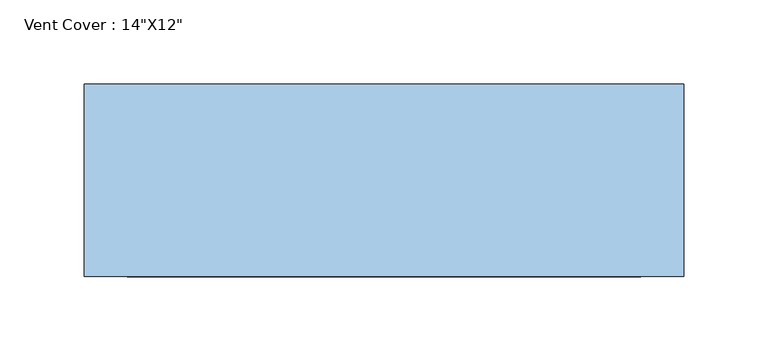
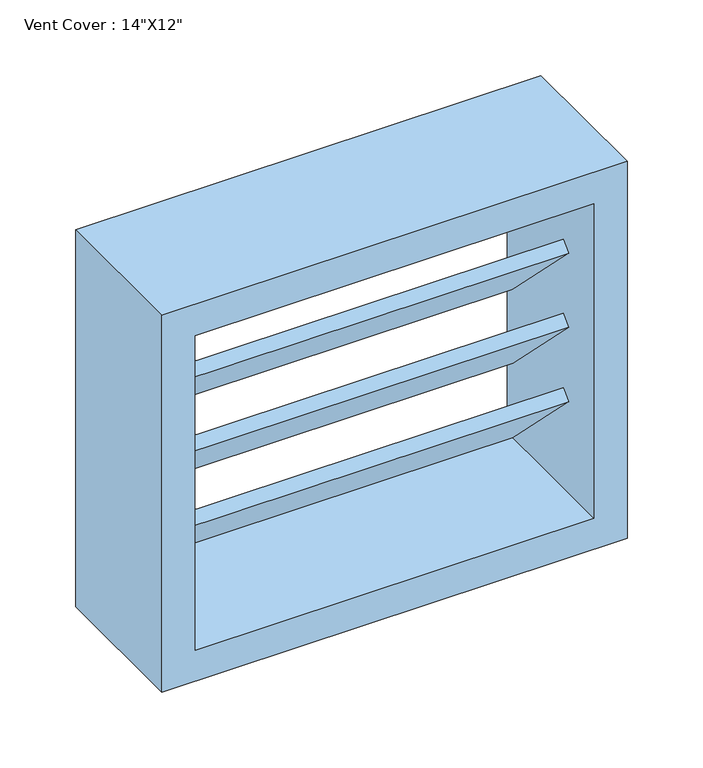
"""IFC4 building model written with IfcOpenShell, lengths in millimetres: window geometry."""

import ifcopenshell
import ifcopenshell.guid

model = None  # the IFC model being written
_history = None  # IfcOwnerHistory: only IFC2X3 demands one
_inside = {}  # id of a spatial element -> (the spatial element, [elements in it])
_under = {}  # id of a project, library or spatial element -> (it, [spatial elements below it])
_declared = {}  # id of a project -> (the project, [libraries it declares])
_typed = {}  # id of a type object -> (the type object, [elements of that type])
_made_of = {}  # id of a material, layer set ... -> (it, [elements and type objects made of it])


def new_model(schema):
    """Start an empty IFC model of exactly this schema.

    Asked for "IFC4X3", IfcOpenShell would pick the latest addendum, in which some entities
    have other attributes; the version numbers below select the first issue.
    IFC2X3 requires an IfcOwnerHistory on every rooted entity: one is made here for all.
    """
    global model, _history
    if schema == "IFC4X3":
        model = ifcopenshell.file(schema_version=(4, 3, 0, 0))
    else:
        model = ifcopenshell.file(schema=schema)
    _inside.clear()
    _under.clear()
    _declared.clear()
    _typed.clear()
    _made_of.clear()
    _history = None
    if model.schema == "IFC2X3":
        org = make("IfcOrganization", Name="unknown")
        user = make(
            "IfcPersonAndOrganization",
            ThePerson=make("IfcPerson", FamilyName="unknown"),
            TheOrganization=org,
        )
        app = make(
            "IfcApplication",
            ApplicationDeveloper=org,
            Version="unknown",
            ApplicationFullName="unknown",
            ApplicationIdentifier="unknown",
        )
        _history = make(
            "IfcOwnerHistory",
            OwningUser=user,
            OwningApplication=app,
            ChangeAction="ADDED",
            CreationDate=0,
        )
    return model


def make(cls, **values):
    """One entity of the class cls with the attributes given. An attribute that is None is left unset."""
    return model.create_entity(
        cls, **{name: value for name, value in values.items() if value is not None}
    )


def rooted(cls, **values):
    """An entity with a GlobalId (a new one), such as an element, a storey or a relation."""
    return make(cls, GlobalId=ifcopenshell.guid.new(), OwnerHistory=_history, **values)


def si_unit(unit_type, name, prefix=None):
    """IfcSIUnit, for example si_unit("LENGTHUNIT", "METRE", prefix="MILLI")."""
    return make("IfcSIUnit", UnitType=unit_type, Prefix=prefix, Name=name)


def assignment(units):
    """IfcUnitAssignment: the units of a project."""
    return None if units is None else make("IfcUnitAssignment", Units=units)


def point(xyz):
    """IfcCartesianPoint."""
    return None if xyz is None else make("IfcCartesianPoint", Coordinates=xyz)


def direction(xyz):
    """IfcDirection."""
    return None if xyz is None else make("IfcDirection", DirectionRatios=xyz)


def frame(location, z_axis=None, x_axis=None):
    """IfcAxis2Placement3D, a coordinate frame: its origin and axes. An axis left out is left unset."""
    return make(
        "IfcAxis2Placement3D",
        Location=point(location),
        Axis=direction(z_axis),
        RefDirection=direction(x_axis),
    )


def origin():
    """The frame at (0, 0, 0) with its axes left unset."""
    return frame((0.0, 0.0, 0.0))


def place(relative_to, where):
    """IfcLocalPlacement: puts the frame where relative to a parent placement (None: the world)."""
    return make(
        "IfcLocalPlacement", PlacementRelTo=relative_to, RelativePlacement=where
    )


def context(
    kind, dimensions, precision=None, world=None, true_north=None, identifier=None
):
    """IfcGeometricRepresentationContext, for example the 3D "Model" context."""
    return make(
        "IfcGeometricRepresentationContext",
        ContextIdentifier=identifier,
        ContextType=kind,
        CoordinateSpaceDimension=dimensions,
        Precision=precision,
        WorldCoordinateSystem=world,
        TrueNorth=true_north,
    )


def project(units=None, contexts=None):
    """IfcProject with its units and contexts."""
    return rooted(
        "IfcProject",
        Name="project",
        RepresentationContexts=contexts,
        UnitsInContext=assignment(units),
    )


def spatial(cls, under=None, at=None, **own):
    """A site, building, storey or space (cls), placed at a placement, below another one or the project."""
    s = rooted(cls, ObjectPlacement=at, **own)
    if under is not None:
        _under.setdefault(under.id(), (under, []))[1].append(s)
    return s


def polyline(points):
    """IfcPolyline through the points."""
    return make("IfcPolyline", Points=[point(p) for p in points])


def outline(outer, holes=None, kind="AREA"):
    """IfcArbitraryClosedProfileDef: a profile drawn as a closed curve; with holes, ...WithVoids."""
    if holes is None:
        return make("IfcArbitraryClosedProfileDef", ProfileType=kind, OuterCurve=outer)
    return make(
        "IfcArbitraryProfileDefWithVoids",
        ProfileType=kind,
        OuterCurve=outer,
        InnerCurves=holes,
    )


def extrude(swept, where, along, depth):
    """IfcExtrudedAreaSolid: the profile swept, set in the frame where, extruded along a direction by depth."""
    return make(
        "IfcExtrudedAreaSolid",
        SweptArea=swept,
        Position=where,
        ExtrudedDirection=direction(along),
        Depth=depth,
    )


def shape(context_of_items, identifier, shape_type, items):
    """IfcShapeRepresentation: the items that make up one representation, for example the "Body"."""
    return make(
        "IfcShapeRepresentation",
        ContextOfItems=context_of_items,
        RepresentationIdentifier=identifier,
        RepresentationType=shape_type,
        Items=items,
    )


def source(mapping_origin, context_of_items, identifier, shape_type, items):
    """IfcRepresentationMap: a shape defined once, which mapped items show again and again."""
    return make(
        "IfcRepresentationMap",
        MappingOrigin=mapping_origin,
        MappedRepresentation=shape(context_of_items, identifier, shape_type, items),
    )


def transform(
    local_origin,
    x_axis=None,
    y_axis=None,
    z_axis=None,
    scale=None,
    scale2=None,
    scale3=None,
    uniform=True,
):
    """IfcCartesianTransformationOperator3D, or its non-uniform kind. x_axis, y_axis, z_axis: its Axis1, 2, 3."""
    if uniform:
        return make(
            "IfcCartesianTransformationOperator3D",
            Axis1=direction(x_axis),
            Axis2=direction(y_axis),
            LocalOrigin=point(local_origin),
            Scale=scale,
            Axis3=direction(z_axis),
        )
    return make(
        "IfcCartesianTransformationOperator3DnonUniform",
        Axis1=direction(x_axis),
        Axis2=direction(y_axis),
        LocalOrigin=point(local_origin),
        Scale=scale,
        Axis3=direction(z_axis),
        Scale2=scale2,
        Scale3=scale3,
    )


def mapped(mapping_source, mapping_target):
    """IfcMappedItem: shows the shape of a source again, moved by a transform."""
    return make(
        "IfcMappedItem", MappingSource=mapping_source, MappingTarget=mapping_target
    )


def made_of(thing, what):
    """Note that an element or type object is made of a material, layer set ...; save() writes the relation."""
    if what is not None:
        _made_of.setdefault(what.id(), (what, []))[1].append(thing)
    return thing


def element(
    cls,
    number,
    at=None,
    inside=None,
    cuts=None,
    type_object=None,
    material=None,
    context=None,
    identifier="Body",
    shape_type=None,
    held_by="IfcProductDefinitionShape",
    body=None,
    shapes=None,
    **own,
):
    """One element of the class cls, such as IfcWall. Its Tag is "e" and its number.

    at: its placement. inside: the storey or other place that contains it. cuts: it is an
    opening in that element (IfcRelVoidsElement). A single representation is given by context,
    identifier, shape_type and body (its items); several are given by shapes. held_by: the class
    of the entity that holds the representations. save() writes the other relations.
    """
    e = rooted(cls, Tag="e%d" % number, ObjectPlacement=at, **own)
    if body is not None:
        shapes = [shape(context, identifier, shape_type, body)]
    if shapes is not None:
        e.Representation = make(held_by, Representations=shapes)
    if inside is not None:
        _inside.setdefault(inside.id(), (inside, []))[1].append(e)
    if cuts is not None:
        rooted(
            "IfcRelVoidsElement", RelatingBuildingElement=cuts, RelatedOpeningElement=e
        )
    if type_object is not None:
        _typed.setdefault(type_object.id(), (type_object, []))[1].append(e)
    return made_of(e, material)


def aggregate(whole, parts):
    """IfcRelAggregates: a whole, such as a stair, and the parts it consists of."""
    return rooted("IfcRelAggregates", RelatingObject=whole, RelatedObjects=parts)


def save(model, path):
    """Write the relations noted so far, then the file.

    IfcRelAggregates (storeys below a building ...), IfcRelContainedInSpatialStructure (elements
    in a storey), IfcRelDefinesByType, IfcRelAssociatesMaterial and IfcRelDeclares: one each for
    every whole, place, type object, material and project.
    """
    for whole, parts in _under.values():
        aggregate(whole, parts)
    for where, things in _inside.values():
        rooted(
            "IfcRelContainedInSpatialStructure",
            RelatedElements=things,
            RelatingStructure=where,
        )
    for kind, things in _typed.values():
        rooted("IfcRelDefinesByType", RelatedObjects=things, RelatingType=kind)
    for what, things in _made_of.values():
        rooted("IfcRelAssociatesMaterial", RelatedObjects=things, RelatingMaterial=what)
    for by, libraries in _declared.values():
        rooted("IfcRelDeclares", RelatingContext=by, RelatedDefinitions=libraries)
    model.write(path)


def window_3b579756(model_context):
    return source(origin(), model_context, "Body", "SweptSolid", [
        extrude(outline(polyline([(0.0, -104.3), (0.0, 0.0), (304.8, 0.0), (304.8, -104.3), (0.0, -104.3)])), frame((152.4, -17.3223051, 1079.1512373), z_axis=(0.0, 0.7071067811865503, 0.7071067811865447), x_axis=(-1.0, 0.0, 0.0)), (0.0, 0.0, 1.0), 10.0),
        extrude(outline(polyline([(0.0, -104.3), (0.0, 0.0), (304.8, 0.0), (304.8, -104.3), (0.0, -104.3)])), frame((152.4, -17.3223051, 1019.1512373), z_axis=(0.0, 0.7071067811865503, 0.7071067811865447), x_axis=(-1.0, 0.0, 0.0)), (0.0, 0.0, 1.0), 10.0),
        extrude(outline(polyline([(0.0, -104.3), (0.0, 0.0), (304.8, 0.0), (304.8, -104.3), (0.0, -104.3)])), frame((152.4, -17.3223051, 959.1512373), z_axis=(0.0, 0.7071067811865503, 0.7071067811865447), x_axis=(-1.0, 0.0, 0.0)), (0.0, 0.0, 1.0), 10.0),
        extrude(outline(polyline([(0.0, -104.3), (0.0, 0.0), (304.8, 0.0), (304.8, -104.3), (0.0, -104.3)])), frame((152.4, -17.3223051, 899.1512373), z_axis=(0.0, 0.7071067811865503, 0.7071067811865447), x_axis=(-1.0, 0.0, 0.0)), (0.0, 0.0, 1.0), 10.0),
        extrude(outline(polyline([(1104.8, 177.8), (1104.8, -177.8), (800.0, -177.8), (800.0, 177.8), (1104.8, 177.8)]), holes=[polyline([(1079.4, 152.4), (825.4, 152.4), (825.4, -152.4), (1079.4, -152.4), (1079.4, 152.4)])]), frame((0.0, -50.8, 0.0), z_axis=(0.0, 1.0, 0.0), x_axis=(0.0, 0.0, 1.0)), (0.0, 0.0, 1.0), 114.3),
    ])


if __name__ == "__main__":
    model = new_model("IFC4")
    model_context = context("Model", 3, world=origin())
    ifc_project = project(units=[si_unit("LENGTHUNIT", "METRE", prefix="MILLI")], contexts=[model_context])
    site = spatial("IfcSite", under=ifc_project)
    building = spatial("IfcBuilding", under=site)
    placement = place(None, origin())
    window_shape = window_3b579756(model_context)
    element("IfcWindow", 1, ObjectType="Vent Cover : 14\"X12\"", at=placement, inside=building, context=model_context, shape_type="MappedRepresentation", body=[
        mapped(window_shape, transform((0.0, 0.0, 0.0), x_axis=(1.0, 0.0, 0.0), y_axis=(0.0, 1.0, 0.0), z_axis=(0.0, 0.0, 1.0))),
    ])
    save(model, "model.ifc")
